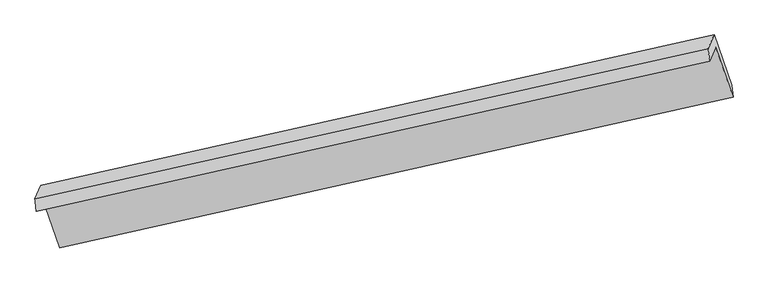
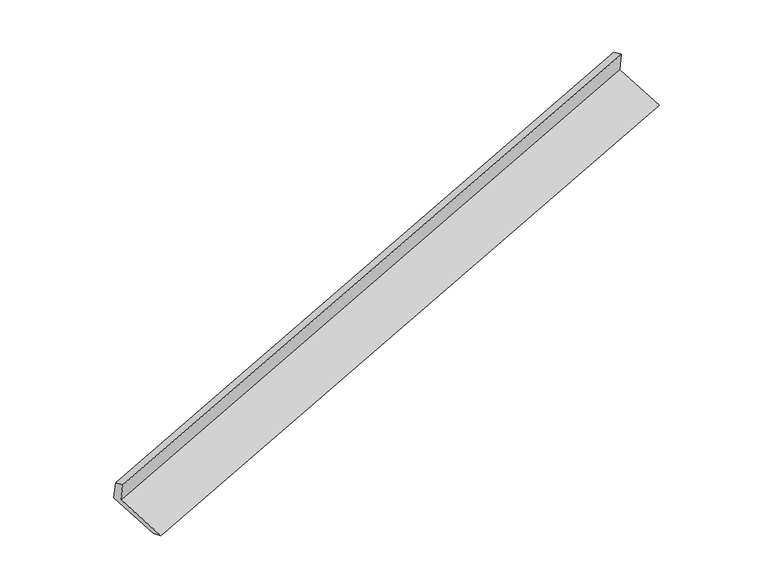
"""IFC4 building model written with IfcOpenShell, lengths in millimetres: proxy geometry."""

from ifc_helpers import new_model, si_unit, frame, origin, place, context, project, spatial, source, transform, mapped, element, save
from ifc_brep_helpers import plane_surface, spline_surface, advanced_brep


def generic_models_c56722bd(model_context):
    return source(origin(), model_context, "Body", "AdvancedBrep", [
        advanced_brep(
        [(-7430.6983219, -2485.3665686, 929.6527967), (-7350.6374832, -2301.5182461, 538.0814614), (1547.5775535, -309.4910007, 3287.0819141), (1467.5167148, -493.3393232, 3678.6532494), (-7448.589886, -2316.5351726, 864.8817189), (1448.7152228, -326.597447, 3618.3325579), (-7371.0945073, -2138.5780637, 485.8578487), (1527.1205294, -146.5508183, 3234.8583013), (-7139.4799604, -2803.3332872, 221.101804), (1758.7350762, -811.3060418, 2970.1022567), (-7119.8055684, -2964.0272432, 274.2200349), (1778.4094683, -971.9999978, 3023.2204875)],
        [
            (0, 1),
            (1, 2),
            (2, 3),
            (3, 0),
            (4, 0),
            (3, 5),
            (5, 4),
            (6, 4),
            (5, 7),
            (7, 6),
            (8, 6),
            (7, 9),
            (9, 8),
            (10, 8),
            (9, 11),
            (11, 10),
            (1, 10),
            (11, 2),
        ],
        [
            plane_surface(frame((-7390.6679025, -2393.4424074, 733.8671291), z_axis=(0.3067962808817731, -0.8841375001117613, -0.35238746137346844), x_axis=(0.18198556858085657, 0.41790396005484126, -0.8900772623760165))),
            spline_surface(1, 1, [[(-7448.589886, -2316.5351726, 864.8817189), (1448.7152228, -326.597447, 3618.3325579)], [(-7430.6983219, -2485.3665686, 929.6527967), (1467.5167148, -493.3393232, 3678.6532494)]], [2, 2], [2, 2], [0.0, 1.0], [0.0, 1.0]),
            plane_surface(frame((-7409.8421967, -2227.5566182, 675.3697838), z_axis=(-0.30679628088177346, 0.884137500111759, 0.35238746137347365), x_axis=(-0.1819855685810486, -0.4179039600548896, 0.8900772623759545))),
            plane_surface(frame((-7255.2872339, -2470.9556755, 353.4798263), z_axis=(0.1814952828016348, 0.4177936289257399, -0.8902291536170989), x_axis=(-0.30796088374270264, 0.8838762888126365, 0.3520267037586987))),
            plane_surface(frame((-7129.6427644, -2883.6802652, 247.6609195), z_axis=(0.337433545016336, -0.25794474745850793, -0.9053193414239392), x_axis=(-0.11546995863084063, 0.9431205995069161, -0.31175346580191726))),
            plane_surface(frame((-7235.2215258, -2632.7727446, 406.1507481), z_axis=(-0.18149528280164323, -0.41779362892571653, 0.8902291536171081), x_axis=(0.30796088374268166, -0.8838762888126511, -0.35202670375868017))),
            plane_surface(frame((1588.0124275, -509.8807715, 3302.0414612), z_axis=(0.9338315409711997, 0.2100452004813452, 0.28955080183295373), x_axis=(-0.30796088374270264, 0.8838762888126365, 0.3520267037586987))),
            plane_surface(frame((-7310.0509545, -2501.5597636, 552.2992774), z_axis=(-0.9338315409711616, -0.21004520048162928, -0.28955080183287035), x_axis=(-0.1819855685808774, -0.41790396005484354, 0.8900772623760111))),
        ],
        [
            (0, [[1, 2, 3, 4]]),
            (1, [[5, -4, 6, 7]]),
            (2, [[8, -7, 9, 10]]),
            (3, [[11, -10, 12, 13]]),
            (4, [[14, -13, 15, 16]]),
            (5, [[17, -16, 18, -2]]),
            (6, [[-12, -9, -6, -3, -18, -15]]),
            (7, [[-1, -5, -8, -11, -14, -17]]),
        ],
    ),
    ])


if __name__ == "__main__":
    model = new_model("IFC4")
    model_context = context("Model", 3, world=origin())
    ifc_project = project(units=[si_unit("LENGTHUNIT", "METRE", prefix="MILLI")], contexts=[model_context])
    site = spatial("IfcSite", under=ifc_project)
    building = spatial("IfcBuilding", under=site)
    placement = place(None, origin())
    generic_models_shape = generic_models_c56722bd(model_context)
    element("IfcBuildingElementProxy", 1, Name="Generic Models", at=placement, inside=building, context=model_context, shape_type="MappedRepresentation", body=[
        mapped(generic_models_shape, transform((0.0, 0.0, 0.0), x_axis=(1.0, 0.0, 0.0), y_axis=(0.0, 1.0, 0.0), z_axis=(0.0, 0.0, 1.0))),
    ])
    save(model, "model.ifc")
